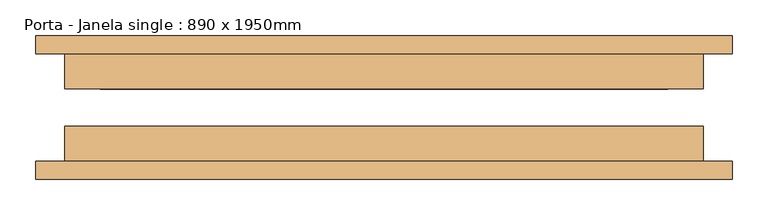
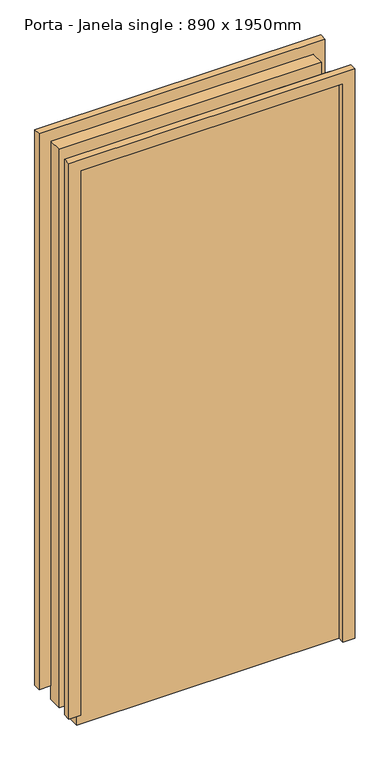
"""IFC4 building model written with IfcOpenShell, lengths in millimetres: door geometry, Porta - Janela single : 890 x 1950mm."""

from ifc_helpers import new_model, si_unit, frame, origin, origin_with_axes, place, context, project, spatial, polyline, outline, extrude, source, transform, mapped, element, save


def porta_janela_single_890_x_1950mm_68eb4cf3(model_context):
    return source(origin(), model_context, "Body", "SweptSolid", [
        extrude(outline(polyline([(2000.0, -445.0), (2000.0, 445.0), (0.0, 445.0), (0.0, 485.0), (2040.0, 485.0), (2040.0, -485.0), (50.0, -485.0), (50.0, -445.0), (2000.0, -445.0)])), frame((0.0, -100.0, 0.0), z_axis=(0.0, 1.0, 0.0), x_axis=(0.0, 0.0, 1.0)), (0.0, 0.0, 1.0), 25.0),
        extrude(outline(polyline([(2000.0, -445.0), (2000.0, 445.0), (0.0, 445.0), (0.0, 485.0), (2040.0, 485.0), (2040.0, -485.0), (50.0, -485.0), (50.0, -445.0), (2000.0, -445.0)])), frame((0.0, 75.0, 0.0), z_axis=(0.0, 1.0, 0.0), x_axis=(0.0, 0.0, 1.0)), (0.0, 0.0, 1.0), 25.0),
        extrude(outline(polyline([(-395.0, 76.2), (395.0, 76.2), (395.0, 26.2), (-395.0, 26.2), (-395.0, 76.2)])), frame((0.0, 0.0, 50.0), z_axis=(0.0, 0.0, 1.0), x_axis=(1.0, 0.0, 0.0)), (0.0, 0.0, 1.0), 1900.0),
        extrude(outline(polyline([(445.0, -76.2), (-445.0, -76.2), (-445.0, -26.2), (445.0, -26.2), (445.0, -76.2)])), origin_with_axes(), (0.0, 0.0, 1.0), 2000.0),
        extrude(outline(polyline([(2000.0, -445.0), (0.0, -445.0), (0.0, 445.0), (2000.0, 445.0), (2000.0, -445.0)]), holes=[polyline([(1950.0, -395.0), (1950.0, 395.0), (50.0, 395.0), (50.0, -395.0), (1950.0, -395.0)])]), frame((0.0, 26.2, 0.0), z_axis=(0.0, 1.0, 0.0), x_axis=(0.0, 0.0, 1.0)), (0.0, 0.0, 1.0), 50.0),
    ])


if __name__ == "__main__":
    model = new_model("IFC4")
    model_context = context("Model", 3, world=origin())
    ifc_project = project(units=[si_unit("LENGTHUNIT", "METRE", prefix="MILLI")], contexts=[model_context])
    site = spatial("IfcSite", under=ifc_project)
    building = spatial("IfcBuilding", under=site)
    placement = place(None, origin())
    porta_janela_single_890_x_1950mm_shape = porta_janela_single_890_x_1950mm_68eb4cf3(model_context)
    element("IfcDoor", 1, ObjectType="Porta - Janela single : 890 x 1950mm", at=placement, inside=building, context=model_context, shape_type="MappedRepresentation", body=[
        mapped(porta_janela_single_890_x_1950mm_shape, transform((0.0, 0.0, 0.0), x_axis=(1.0, 0.0, 0.0), y_axis=(0.0, 1.0, 0.0), z_axis=(0.0, 0.0, 1.0))),
    ])
    save(model, "model.ifc")
